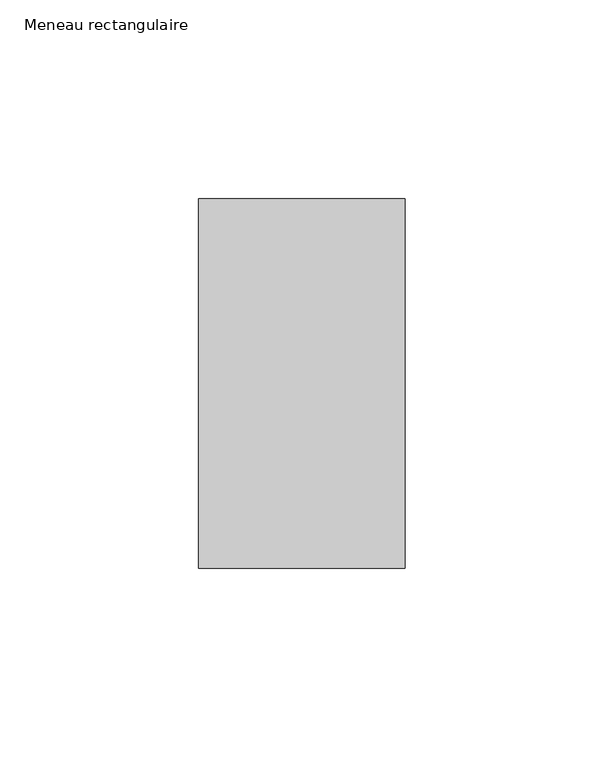
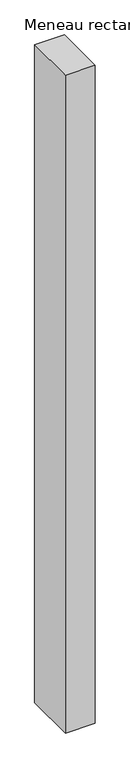
"""IFC4 building model written with IfcOpenShell, lengths in millimetres: member geometry, Meneau rectangulaire."""

from ifc_helpers import new_model, si_unit, frame, origin, place, context, project, spatial, polyline, outline, extrude, source, transform, mapped, element, save


def meneau_rectangulaire_d01c3fc7(model_context):
    return source(origin(), model_context, "Body", "SweptSolid", [
        extrude(outline(polyline([(-52.0, 46.5), (0.0, 46.5), (0.0, -46.5), (-52.0, -46.5), (-52.0, 46.5)])), frame((0.0, 0.0, -1216.0000002), z_axis=(0.0, 0.0, 1.0), x_axis=(1.0, 0.0, 0.0)), (0.0, 0.0, 1.0), 1216.0000002),
    ])


if __name__ == "__main__":
    model = new_model("IFC4")
    model_context = context("Model", 3, world=origin())
    ifc_project = project(units=[si_unit("LENGTHUNIT", "METRE", prefix="MILLI")], contexts=[model_context])
    site = spatial("IfcSite", under=ifc_project)
    building = spatial("IfcBuilding", under=site)
    placement = place(None, origin())
    meneau_rectangulaire_shape = meneau_rectangulaire_d01c3fc7(model_context)
    element("IfcMember", 1, ObjectType="Meneau rectangulaire", at=placement, inside=building, context=model_context, shape_type="MappedRepresentation", body=[
        mapped(meneau_rectangulaire_shape, transform((0.0, 0.0, 0.0), x_axis=(1.0, 0.0, 0.0), y_axis=(0.0, 1.0, 0.0), z_axis=(0.0, 0.0, 1.0))),
    ])
    save(model, "model.ifc")
